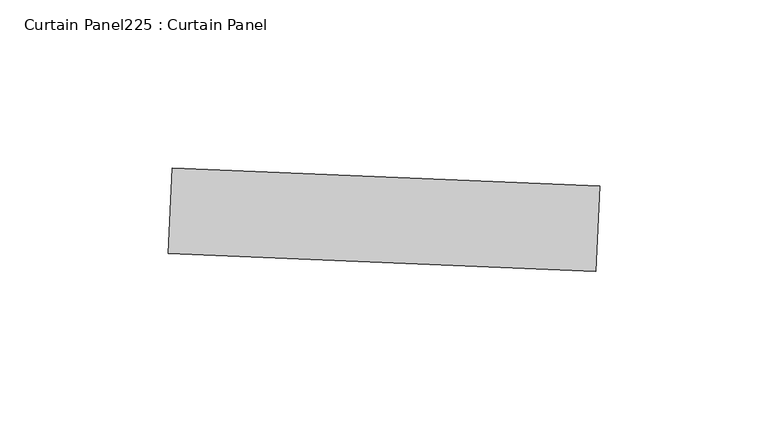
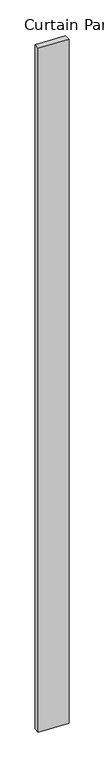
"""IFC4 building model written with IfcOpenShell, lengths in millimetres: plate geometry, Curtain Panel225 : Curtain Panel."""

from ifc_helpers import new_model, si_unit, frame, origin, place, context, project, spatial, polyline, outline, extrude, source, transform, mapped, element, save


def curtain_panel225_curtain_panel_3a78b1dc(model_context):
    return source(origin(), model_context, "Body", "SweptSolid", [
        extrude(outline(polyline([(633517.972652, 2251.0190125), (633391.0855685, 2256.3732671), (633392.1564194, 2281.7506838), (633519.0435029, 2276.3964292), (633517.972652, 2251.0190125)])), frame((0.0, 0.0, 4959.7989371), z_axis=(0.0, 0.0, 1.0), x_axis=(1.0, 0.0, 0.0)), (0.0, 0.0, 1.0), 3048.0),
    ])


if __name__ == "__main__":
    model = new_model("IFC4")
    model_context = context("Model", 3, world=origin())
    ifc_project = project(units=[si_unit("LENGTHUNIT", "METRE", prefix="MILLI")], contexts=[model_context])
    site = spatial("IfcSite", under=ifc_project)
    building = spatial("IfcBuilding", under=site)
    placement = place(None, origin())
    curtain_panel225_curtain_panel_shape = curtain_panel225_curtain_panel_3a78b1dc(model_context)
    element("IfcPlate", 1, ObjectType="Curtain Panel225 : Curtain Panel", at=placement, inside=building, context=model_context, shape_type="MappedRepresentation", body=[
        mapped(curtain_panel225_curtain_panel_shape, transform((0.0, 0.0, 0.0), x_axis=(1.0, 0.0, 0.0), y_axis=(0.0, 1.0, 0.0), z_axis=(0.0, 0.0, 1.0))),
    ])
    save(model, "model.ifc")
